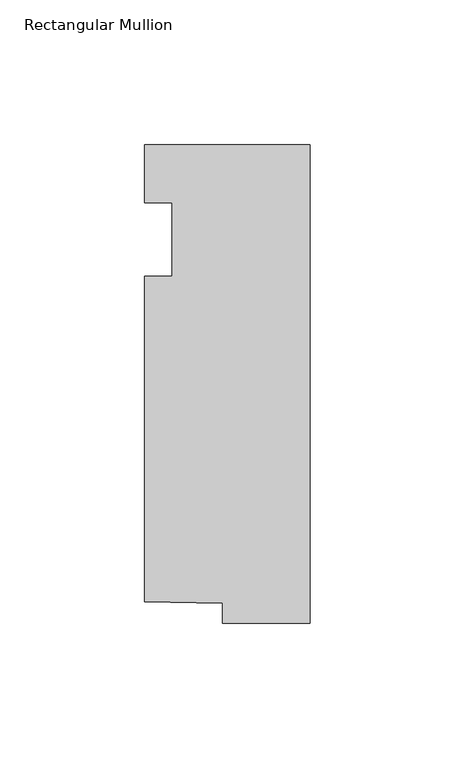
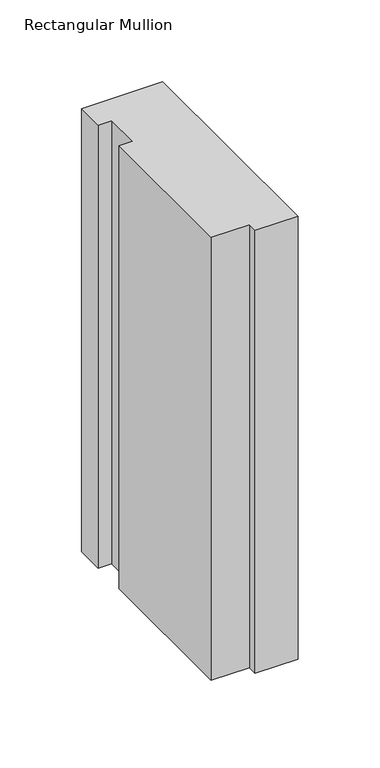
"""IFC4 building model written with IfcOpenShell, lengths in millimetres: member geometry, Rectangular Mullion."""

from ifc_helpers import new_model, si_unit, frame, origin, place, context, project, spatial, polyline, outline, extrude, source, transform, mapped, element, save


def rectangular_mullion_7727ce45(model_context):
    return source(origin(), model_context, "Body", "SweptSolid", [
        extrude(outline(polyline([(-57.15, 20.0421875), (0.0, 20.0421875), (0.0, -145.0578125), (-30.1646192, -145.0578125), (-30.1646192, -138.1494996), (-57.15, -137.7424054), (-57.15, -25.4), (-47.625, -25.4), (-47.625, 0.0), (-57.15, 0.0), (-57.15, 20.0421875)])), frame((0.0, 0.0, -330.2), z_axis=(0.0, 0.0, 1.0), x_axis=(1.0, 0.0, 0.0)), (0.0, 0.0, 1.0), 330.2),
    ])


if __name__ == "__main__":
    model = new_model("IFC4")
    model_context = context("Model", 3, world=origin())
    ifc_project = project(units=[si_unit("LENGTHUNIT", "METRE", prefix="MILLI")], contexts=[model_context])
    site = spatial("IfcSite", under=ifc_project)
    building = spatial("IfcBuilding", under=site)
    placement = place(None, origin())
    rectangular_mullion_shape = rectangular_mullion_7727ce45(model_context)
    element("IfcMember", 1, ObjectType="Rectangular Mullion", at=placement, inside=building, context=model_context, shape_type="MappedRepresentation", body=[
        mapped(rectangular_mullion_shape, transform((0.0, 0.0, 0.0), x_axis=(1.0, 0.0, 0.0), y_axis=(0.0, 1.0, 0.0), z_axis=(0.0, 0.0, 1.0))),
    ])
    save(model, "model.ifc")
